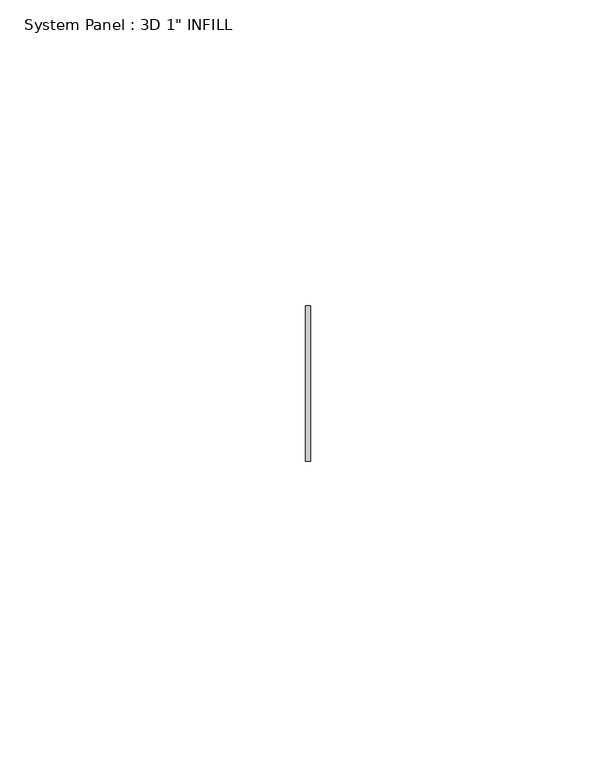
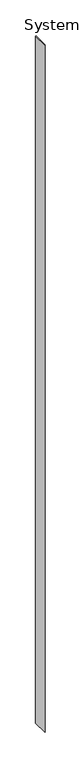
"""IFC4 building model written with IfcOpenShell, lengths in millimetres: plate geometry."""

from ifc_helpers import new_model, si_unit, origin, origin_with_axes, place, context, project, spatial, polyline, outline, extrude, source, transform, mapped, element, save


def plate_edb4fd33(model_context):
    return source(origin(), model_context, "Body", "SweptSolid", [
        extrude(outline(polyline([(0.3945068, -12.7), (-0.3945068, -12.7), (-0.3945068, 12.7), (0.3945068, 12.7), (0.3945068, -12.7)])), origin_with_axes(), (0.0, 0.0, 1.0), 1168.4),
    ])


if __name__ == "__main__":
    model = new_model("IFC4")
    model_context = context("Model", 3, world=origin())
    ifc_project = project(units=[si_unit("LENGTHUNIT", "METRE", prefix="MILLI")], contexts=[model_context])
    site = spatial("IfcSite", under=ifc_project)
    building = spatial("IfcBuilding", under=site)
    placement = place(None, origin())
    plate_shape = plate_edb4fd33(model_context)
    element("IfcPlate", 1, ObjectType="System Panel : 3D 1\" INFILL", at=placement, inside=building, context=model_context, shape_type="MappedRepresentation", body=[
        mapped(plate_shape, transform((0.0, 0.0, 0.0), x_axis=(1.0, 0.0, 0.0), y_axis=(0.0, 1.0, 0.0), z_axis=(0.0, 0.0, 1.0))),
    ])
    save(model, "model.ifc")
